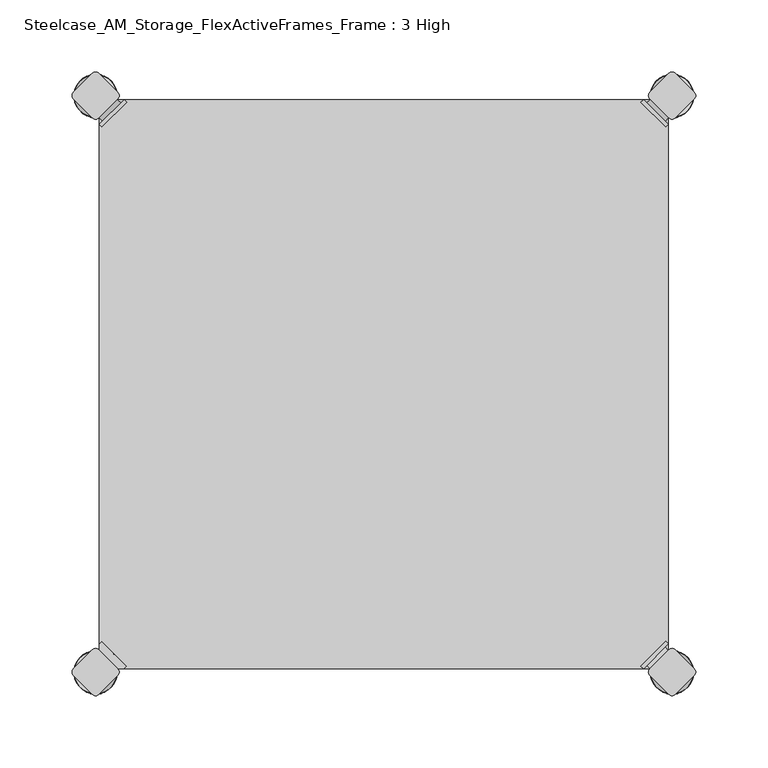
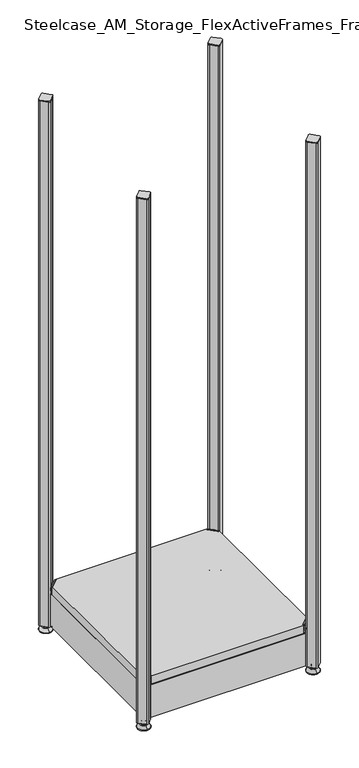
"""IFC4 building model written with IfcOpenShell, lengths in millimetres: furniture geometry, Steelcase_AM_Storage_FlexActiveFrames_Frame : 3 High."""

from ifc_helpers import new_model, si_unit, point, frame, frame_2d, origin, place, context, project, spatial, polyline, circle_curve, ellipse_curve, trimmed, segment, composite_curve, outline, extrude, source, transform, mapped, element, save
from ifc_brep_helpers import plane_surface, cylinder_surface, revolved_surface, advanced_brep


def steelcase_am_storage_flexactiveframes_frame_3_high_1ea21ac9(model_context):
    return source(origin(), model_context, "Body", "SolidModel", [
        advanced_brep(
        [(397.51, -380.2870969, 118.9736), (395.7139488, -378.4910456, 118.9736), (378.4910456, -395.7139488, 118.9736), (380.2870969, -397.51, 118.9736), (380.2870969, -397.51, 97.6376), (397.51, -380.2870969, 97.6376), (395.1847277, -382.6123691, 108.8136), (382.6123691, -395.1847277, 108.8136), (369.7579478, -352.5350447, 98.6536), (352.5350447, -369.7579478, 98.6536), (378.4910456, -395.7139488, 98.6536), (395.7139488, -378.4910456, 98.6536), (369.7579478, -352.5350447, 97.6376), (352.5350447, -369.7579478, 97.6376), (384.9272487, -397.4996073, 108.8136), (397.4996073, -384.9272487, 108.8136)],
        [
            (0, 1),
            (1, 2),
            (2, 3),
            (3, 0),
            (3, 4),
            (4, 5),
            (5, 0),
            (6, 7, circle_curve(frame((388.8985484, -388.8985484, 108.8136), z_axis=(-0.7071067811865446, 0.7071067811865505, 0.0), x_axis=(0.7071067811865505, 0.7071067811865446, 0.0)), 8.89)),
            (7, 6, circle_curve(frame((388.8985484, -388.8985484, 108.8136), z_axis=(-0.7071067811865446, 0.7071067811865505, 0.0), x_axis=(0.7071067811865505, 0.7071067811865446, 0.0)), 8.89)),
            (8, 9, circle_curve(frame((361.1464963, -361.1464963, 98.6536), z_axis=(0.0, 0.0, 1.0), x_axis=(-1.0, 0.0, 0.0)), 12.1784316)),
            (9, 10),
            (10, 11),
            (11, 8),
            (12, 5),
            (4, 13),
            (13, 12, circle_curve(frame((361.1464963, -361.1464963, 97.6376), z_axis=(0.0, 0.0, -1.0), x_axis=(-1.0, 0.0, 0.0)), 12.1784316)),
            (14, 15, circle_curve(frame((391.213428, -391.213428, 108.8136), z_axis=(0.7071067811865446, -0.7071067811865505, 0.0), x_axis=(0.7071067811865505, 0.7071067811865446, 0.0)), 8.89)),
            (15, 14, circle_curve(frame((391.213428, -391.213428, 108.8136), z_axis=(0.7071067811865446, -0.7071067811865505, 0.0), x_axis=(0.7071067811865505, 0.7071067811865446, 0.0)), 8.89)),
            (14, 7),
            (6, 15),
            (1, 11),
            (10, 2),
            (8, 12),
            (13, 9),
        ],
        [
            plane_surface(frame((419.7079872, -402.485084, 118.9736), z_axis=(0.0, 0.0, 1.0000000000000002), x_axis=(-0.7071067811865436, 0.7071067811865516, 0.0))),
            plane_surface(frame((380.2870969, -397.51, 118.9736), z_axis=(0.7071067811865447, -0.7071067811865503, 0.0), x_axis=(0.0, 0.0, -1.0))),
            plane_surface(frame((348.9680647, -361.1464963, 98.6536), z_axis=(0.0, 0.0, 1.0), x_axis=(0.0, -1.0, 0.0))),
            plane_surface(frame((348.9680647, -361.1464963, 97.6376), z_axis=(0.0, 0.0, -1.0), x_axis=(0.0, 1.0, 0.0))),
            plane_surface(frame((397.4996073, -384.9272487, 108.8136), z_axis=(0.7071067811865446, -0.7071067811865505, 0.0), x_axis=(0.0, 0.0, 1.0))),
            cylinder_surface(frame((388.8985484, -388.8985484, 108.8136), z_axis=(0.7071067811865446, -0.7071067811865505, 0.0), x_axis=(0.7071067811865505, 0.7071067811865446, 0.0)), 8.89),
            plane_surface(frame((395.7139488, -378.4910456, 118.9736), z_axis=(-0.7071067811865447, 0.7071067811865503, 0.0), x_axis=(0.0, 0.0, -1.0))),
            cylinder_surface(frame((361.1464963, -361.1464963, 97.6376), z_axis=(0.0, 0.0, 1.0), x_axis=(-1.0, 0.0, 0.0)), 12.1784316),
            plane_surface(frame((397.51, -380.2870969, 118.9736), z_axis=(0.7071067811865516, 0.7071067811865436, 0.0), x_axis=(0.0, 0.0, -1.0))),
            plane_surface(frame((378.4910456, -395.7139488, 118.9736), z_axis=(-0.7071067811865513, -0.7071067811865437, 0.0), x_axis=(0.0, 0.0, -1.0))),
        ],
        [
            (0, [[1, 2, 3, 4]]),
            (1, [[-4, 5, 6, 7], [8, 9]]),
            (2, [[10, 11, 12, 13]]),
            (3, [[14, -6, 15, 16]]),
            (4, [[17, 18]]),
            (5, [[-17, 19, -8, 20]]),
            (5, [[-18, -20, -9, -19]]),
            (6, [[-2, 21, -12, 22]]),
            (7, [[-10, 23, -16, 24]]),
            (8, [[-1, -7, -14, -23, -13, -21]]),
            (9, [[-3, -22, -11, -24, -15, -5]]),
        ],
    ),
        advanced_brep(
        [(397.51, -19.7629031, 118.9736), (380.2870969, -2.54, 118.9736), (378.4910456, -4.3360512, 118.9736), (395.7139488, -21.5589544, 118.9736), (397.51, -19.7629031, 97.6376), (380.2870969, -2.54, 97.6376), (395.1847277, -17.4376309, 108.8136), (382.6123691, -4.8652723, 108.8136), (369.7579478, -47.5149553, 98.6536), (395.7139488, -21.5589544, 98.6536), (378.4910456, -4.3360512, 98.6536), (352.5350447, -30.2920522, 98.6536), (369.7579478, -47.5149553, 97.6376), (352.5350447, -30.2920522, 97.6376), (384.9272487, -2.5503927, 108.8136), (397.4996073, -15.1227513, 108.8136)],
        [
            (0, 1),
            (1, 2),
            (2, 3),
            (3, 0),
            (0, 4),
            (4, 5),
            (5, 1),
            (6, 7, circle_curve(frame((388.8985484, -11.1514516, 108.8136), z_axis=(-0.7071067811865469, -0.7071067811865481, 0.0), x_axis=(0.7071067811865481, -0.7071067811865469, 0.0)), 8.89)),
            (7, 6, circle_curve(frame((388.8985484, -11.1514516, 108.8136), z_axis=(-0.7071067811865469, -0.7071067811865481, 0.0), x_axis=(0.7071067811865481, -0.7071067811865469, 0.0)), 8.89)),
            (8, 9),
            (9, 10),
            (10, 11),
            (11, 8, circle_curve(frame((361.1464963, -38.9035037, 98.6536), z_axis=(0.0, 0.0, 1.0), x_axis=(-1.0, 0.0, 0.0)), 12.1784316)),
            (12, 13, circle_curve(frame((361.1464963, -38.9035037, 97.6376), z_axis=(0.0, 0.0, -1.0), x_axis=(-1.0, 0.0, 0.0)), 12.1784316)),
            (13, 5),
            (4, 12),
            (14, 15, circle_curve(frame((391.213428, -8.836572, 108.8136), z_axis=(0.7071067811865469, 0.7071067811865481, 0.0), x_axis=(0.7071067811865481, -0.7071067811865469, 0.0)), 8.89)),
            (15, 14, circle_curve(frame((391.213428, -8.836572, 108.8136), z_axis=(0.7071067811865469, 0.7071067811865481, 0.0), x_axis=(0.7071067811865481, -0.7071067811865469, 0.0)), 8.89)),
            (15, 6),
            (7, 14),
            (2, 10),
            (9, 3),
            (11, 13),
            (12, 8),
        ],
        [
            plane_surface(frame((419.7079872, 2.435084, 118.9736), z_axis=(0.0, 0.0, 1.0000000000000002), x_axis=(-0.7071067811865459, -0.7071067811865492, 0.0))),
            plane_surface(frame((380.2870969, -2.54, 118.9736), z_axis=(0.707106781186547, 0.707106781186548, 0.0), x_axis=(0.0, 0.0, -1.0))),
            plane_surface(frame((348.9680647, -38.9035037, 98.6536), z_axis=(0.0, 0.0, 1.0), x_axis=(0.0, 1.0, 0.0))),
            plane_surface(frame((348.9680647, -38.9035037, 97.6376), z_axis=(0.0, 0.0, -1.0), x_axis=(0.0, -1.0, 0.0))),
            plane_surface(frame((397.4996073, -15.1227513, 108.8136), z_axis=(0.7071067811865469, 0.7071067811865481, 0.0), x_axis=(0.0, 0.0, 1.0))),
            cylinder_surface(frame((388.8985484, -11.1514516, 108.8136), z_axis=(0.7071067811865469, 0.7071067811865481, 0.0), x_axis=(0.7071067811865481, -0.7071067811865469, 0.0)), 8.89),
            plane_surface(frame((395.7139488, -21.5589544, 118.9736), z_axis=(-0.707106781186547, -0.707106781186548, 0.0), x_axis=(0.0, 0.0, -1.0))),
            cylinder_surface(frame((361.1464963, -38.9035037, 97.6376), z_axis=(0.0, 0.0, 1.0), x_axis=(-1.0, 0.0, 0.0)), 12.1784316),
            plane_surface(frame((397.51, -19.7629031, 118.9736), z_axis=(0.7071067811865492, -0.7071067811865459, 0.0), x_axis=(0.0, 0.0, -1.0))),
            plane_surface(frame((378.4910456, -4.3360512, 118.9736), z_axis=(-0.707106781186549, 0.707106781186546, 0.0), x_axis=(0.0, 0.0, -1.0))),
        ],
        [
            (0, [[1, 2, 3, 4]]),
            (1, [[5, 6, 7, -1], [8, 9]]),
            (2, [[10, 11, 12, 13]]),
            (3, [[14, 15, -6, 16]]),
            (4, [[17, 18]]),
            (5, [[19, -9, 20, -18]]),
            (5, [[-20, -8, -19, -17]]),
            (6, [[21, -11, 22, -3]]),
            (7, [[23, -14, 24, -13]]),
            (8, [[-22, -10, -24, -16, -5, -4]]),
            (9, [[-7, -15, -23, -12, -21, -2]]),
        ],
    ),
        advanced_brep(
        [(2.54, -19.7629031, 118.9736), (4.3360512, -21.5589544, 118.9736), (21.5589544, -4.3360512, 118.9736), (19.7629031, -2.54, 118.9736), (19.7629031, -2.54, 97.6376), (2.54, -19.7629031, 97.6376), (4.8652723, -17.4376309, 108.8136), (17.4376309, -4.8652723, 108.8136), (30.2920522, -47.5149553, 98.6536), (47.5149553, -30.2920522, 98.6536), (21.5589544, -4.3360512, 98.6536), (4.3360512, -21.5589544, 98.6536), (30.2920522, -47.5149553, 97.6376), (47.5149553, -30.2920522, 97.6376), (15.1227513, -2.5503927, 108.8136), (2.5503927, -15.1227513, 108.8136)],
        [
            (0, 1),
            (1, 2),
            (2, 3),
            (3, 0),
            (3, 4),
            (4, 5),
            (5, 0),
            (6, 7, circle_curve(frame((11.1514516, -11.1514516, 108.8136), z_axis=(0.7071067811865469, -0.7071067811865481, 0.0), x_axis=(-0.7071067811865481, -0.7071067811865469, 0.0)), 8.89)),
            (7, 6, circle_curve(frame((11.1514516, -11.1514516, 108.8136), z_axis=(0.7071067811865469, -0.7071067811865481, 0.0), x_axis=(-0.7071067811865481, -0.7071067811865469, 0.0)), 8.89)),
            (8, 9, circle_curve(frame((38.9035037, -38.9035037, 98.6536), z_axis=(0.0, 0.0, 1.0), x_axis=(1.0, 0.0, 0.0)), 12.1784316)),
            (9, 10),
            (10, 11),
            (11, 8),
            (12, 5),
            (4, 13),
            (13, 12, circle_curve(frame((38.9035037, -38.9035037, 97.6376), z_axis=(0.0, 0.0, -1.0), x_axis=(1.0, 0.0, 0.0)), 12.1784316)),
            (14, 15, circle_curve(frame((8.836572, -8.836572, 108.8136), z_axis=(-0.7071067811865469, 0.7071067811865481, 0.0), x_axis=(-0.7071067811865481, -0.7071067811865469, 0.0)), 8.89)),
            (15, 14, circle_curve(frame((8.836572, -8.836572, 108.8136), z_axis=(-0.7071067811865469, 0.7071067811865481, 0.0), x_axis=(-0.7071067811865481, -0.7071067811865469, 0.0)), 8.89)),
            (14, 7),
            (6, 15),
            (1, 11),
            (10, 2),
            (8, 12),
            (13, 9),
        ],
        [
            plane_surface(frame((-19.6579872, 2.435084, 118.9736), z_axis=(0.0, 0.0, 1.0000000000000002), x_axis=(0.7071067811865459, -0.7071067811865492, 0.0))),
            plane_surface(frame((19.7629031, -2.54, 118.9736), z_axis=(-0.707106781186547, 0.707106781186548, 0.0), x_axis=(0.0, 0.0, -1.0))),
            plane_surface(frame((51.0819353, -38.9035037, 98.6536), z_axis=(0.0, 0.0, 1.0), x_axis=(0.0, 1.0, 0.0))),
            plane_surface(frame((51.0819353, -38.9035037, 97.6376), z_axis=(0.0, 0.0, -1.0), x_axis=(0.0, -1.0, 0.0))),
            plane_surface(frame((2.5503927, -15.1227513, 108.8136), z_axis=(-0.7071067811865469, 0.7071067811865481, 0.0), x_axis=(0.0, 0.0, 1.0))),
            cylinder_surface(frame((11.1514516, -11.1514516, 108.8136), z_axis=(-0.7071067811865469, 0.7071067811865481, 0.0), x_axis=(-0.7071067811865481, -0.7071067811865469, 0.0)), 8.89),
            plane_surface(frame((4.3360512, -21.5589544, 118.9736), z_axis=(0.707106781186547, -0.707106781186548, 0.0), x_axis=(0.0, 0.0, -1.0))),
            cylinder_surface(frame((38.9035037, -38.9035037, 97.6376), z_axis=(0.0, 0.0, 1.0), x_axis=(1.0, 0.0, 0.0)), 12.1784316),
            plane_surface(frame((2.54, -19.7629031, 118.9736), z_axis=(-0.7071067811865492, -0.7071067811865459, 0.0), x_axis=(0.0, 0.0, -1.0))),
            plane_surface(frame((21.5589544, -4.3360512, 118.9736), z_axis=(0.707106781186549, 0.707106781186546, 0.0), x_axis=(0.0, 0.0, -1.0))),
        ],
        [
            (0, [[1, 2, 3, 4]]),
            (1, [[-4, 5, 6, 7], [8, 9]]),
            (2, [[10, 11, 12, 13]]),
            (3, [[14, -6, 15, 16]]),
            (4, [[17, 18]]),
            (5, [[-17, 19, -8, 20]]),
            (5, [[-18, -20, -9, -19]]),
            (6, [[-2, 21, -12, 22]]),
            (7, [[-10, 23, -16, 24]]),
            (8, [[-1, -7, -14, -23, -13, -21]]),
            (9, [[-3, -22, -11, -24, -15, -5]]),
        ],
    ),
        extrude(outline(polyline([(19.7629031, -2.54), (380.2870969, -2.54), (378.4910456, -4.3360512), (395.7139488, -21.5589544), (397.51, -19.7629031), (397.51, -380.2870969), (395.7139488, -378.4910456), (378.4910456, -395.7139488), (380.2870969, -397.51), (19.7629031, -397.51), (21.5589544, -395.7139488), (4.3360512, -378.4910456), (2.54, -380.2870969), (2.54, -19.7629031), (4.3360512, -21.5589544), (21.5589544, -4.3360512), (19.7629031, -2.54)])), frame((0.0, 0.0, 98.6536), z_axis=(0.0, 0.0, 1.0), x_axis=(1.0, 0.0, 0.0)), (0.0, 0.0, 1.0), 20.32),
        extrude(outline(composite_curve([segment(polyline([(-2.245064, -15.4326055), (-15.4326055, -2.245064)]), True, "CONTINUOUS"), segment(trimmed(circle_curve(frame_2d((-13.1875415, 0.0)), 3.175), [point((-15.4326055, -2.245064))], [point((-15.4326055, 2.245064))], False, "CARTESIAN"), True, "CONTINUOUS"), segment(polyline([(-15.4326055, 2.245064), (-2.245064, 15.4326055)]), True, "CONTINUOUS"), segment(trimmed(circle_curve(frame_2d((0.0, 13.1875415)), 3.175), [point((-2.245064, 15.4326055))], [point((2.245064, 15.4326055))], False, "CARTESIAN"), True, "CONTINUOUS"), segment(polyline([(2.245064, 15.4326055), (15.4326055, 2.245064)]), True, "CONTINUOUS"), segment(trimmed(circle_curve(frame_2d((13.1875415, 0.0)), 3.175), [point((15.4326055, 2.245064))], [point((15.4326055, -2.245064))], False, "CARTESIAN"), True, "CONTINUOUS"), segment(polyline([(15.4326055, -2.245064), (2.245064, -15.4326055)]), True, "CONTINUOUS"), segment(trimmed(circle_curve(frame_2d((0.0, -13.1875415)), 3.175), [point((2.245064, -15.4326055))], [point((-2.245064, -15.4326055))], False, "CARTESIAN"), True, "CONTINUOUS")], self_intersect=False)), frame((0.0, 0.0, 1324.61), z_axis=(0.0, 0.0, 1.0), x_axis=(1.0, 0.0, 0.0)), (0.0, 0.0, 1.0), 2.032),
        extrude(outline(composite_curve([segment(trimmed(circle_curve(frame_2d((400.05, -13.1875415)), 3.175), [point((402.295064, -15.4326055))], [point((397.804936, -15.4326055))], False, "CARTESIAN"), True, "CONTINUOUS"), segment(polyline([(397.804936, -15.4326055), (384.6173945, -2.245064)]), True, "CONTINUOUS"), segment(trimmed(circle_curve(frame_2d((386.8624585, 0.0)), 3.175), [point((384.6173945, -2.245064))], [point((384.6173945, 2.245064))], False, "CARTESIAN"), True, "CONTINUOUS"), segment(polyline([(384.6173945, 2.245064), (397.804936, 15.4326055)]), True, "CONTINUOUS"), segment(trimmed(circle_curve(frame_2d((400.05, 13.1875415)), 3.175), [point((397.804936, 15.4326055))], [point((402.295064, 15.4326055))], False, "CARTESIAN"), True, "CONTINUOUS"), segment(polyline([(402.295064, 15.4326055), (415.4826055, 2.245064)]), True, "CONTINUOUS"), segment(trimmed(circle_curve(frame_2d((413.2375415, 0.0)), 3.175), [point((415.4826055, 2.245064))], [point((415.4826055, -2.245064))], False, "CARTESIAN"), True, "CONTINUOUS"), segment(polyline([(415.4826055, -2.245064), (402.295064, -15.4326055)]), True, "CONTINUOUS")], self_intersect=False)), frame((0.0, 0.0, 1324.61), z_axis=(0.0, 0.0, 1.0), x_axis=(1.0, 0.0, 0.0)), (0.0, 0.0, 1.0), 2.032),
        extrude(outline(composite_curve([segment(polyline([(402.295064, -384.6173945), (415.4826055, -397.804936)]), True, "CONTINUOUS"), segment(trimmed(circle_curve(frame_2d((413.2375415, -400.05)), 3.175), [point((415.4826055, -397.804936))], [point((415.4826055, -402.295064))], False, "CARTESIAN"), True, "CONTINUOUS"), segment(polyline([(415.4826055, -402.295064), (402.295064, -415.4826055)]), True, "CONTINUOUS"), segment(trimmed(circle_curve(frame_2d((400.05, -413.2375415)), 3.175), [point((402.295064, -415.4826055))], [point((397.804936, -415.4826055))], False, "CARTESIAN"), True, "CONTINUOUS"), segment(polyline([(397.804936, -415.4826055), (384.6173945, -402.295064)]), True, "CONTINUOUS"), segment(trimmed(circle_curve(frame_2d((386.8624585, -400.05)), 3.175), [point((384.6173945, -402.295064))], [point((384.6173945, -397.804936))], False, "CARTESIAN"), True, "CONTINUOUS"), segment(polyline([(384.6173945, -397.804936), (397.804936, -384.6173945)]), True, "CONTINUOUS"), segment(trimmed(circle_curve(frame_2d((400.05, -386.8624585)), 3.175), [point((397.804936, -384.6173945))], [point((402.295064, -384.6173945))], False, "CARTESIAN"), True, "CONTINUOUS")], self_intersect=False)), frame((0.0, 0.0, 1324.61), z_axis=(0.0, 0.0, 1.0), x_axis=(1.0, 0.0, 0.0)), (0.0, 0.0, 1.0), 2.032),
        extrude(outline(composite_curve([segment(trimmed(circle_curve(frame_2d((0.0, -386.8624585)), 3.175), [point((-2.245064, -384.6173945))], [point((2.245064, -384.6173945))], False, "CARTESIAN"), True, "CONTINUOUS"), segment(polyline([(2.245064, -384.6173945), (15.4326055, -397.804936)]), True, "CONTINUOUS"), segment(trimmed(circle_curve(frame_2d((13.1875415, -400.05)), 3.175), [point((15.4326055, -397.804936))], [point((15.4326055, -402.295064))], False, "CARTESIAN"), True, "CONTINUOUS"), segment(polyline([(15.4326055, -402.295064), (2.245064, -415.4826055)]), True, "CONTINUOUS"), segment(trimmed(circle_curve(frame_2d((0.0, -413.2375415)), 3.175), [point((2.245064, -415.4826055))], [point((-2.245064, -415.4826055))], False, "CARTESIAN"), True, "CONTINUOUS"), segment(polyline([(-2.245064, -415.4826055), (-15.4326055, -402.295064)]), True, "CONTINUOUS"), segment(trimmed(circle_curve(frame_2d((-13.1875415, -400.05)), 3.175), [point((-15.4326055, -402.295064))], [point((-15.4326055, -397.804936))], False, "CARTESIAN"), True, "CONTINUOUS"), segment(polyline([(-15.4326055, -397.804936), (-2.245064, -384.6173945)]), True, "CONTINUOUS")], self_intersect=False)), frame((0.0, 0.0, 1324.61), z_axis=(0.0, 0.0, 1.0), x_axis=(1.0, 0.0, 0.0)), (0.0, 0.0, 1.0), 2.032),
        extrude(outline(polyline([(2.54, -384.9123305), (2.54, -15.1376695), (15.1376695, -2.54), (384.9123305, -2.54), (397.51, -15.1376695), (397.51, -384.9123305), (384.9123305, -397.51), (15.1376695, -397.51), (2.54, -384.9123305)]), holes=[polyline([(12.7, -15.748), (12.7, -387.35), (387.35, -387.35), (387.35, -15.748), (12.7, -15.748)])]), frame((0.0, 0.0, 15.9766), z_axis=(0.0, 0.0, 1.0), x_axis=(1.0, 0.0, 0.0)), (0.0, 0.0, 1.0), 81.28),
        advanced_brep(
        [(400.05, 3.999659, 15.9766), (400.05, -3.999659, 15.9766), (400.05, 0.0, 15.9766), (400.05, 3.999659, 12.6000054), (400.05, -3.999659, 12.6000054), (400.05, 5.8601455, 12.6000054), (400.05, -5.8601455, 12.6000054), (400.05, 6.4951462, 11.9650074), (400.05, -6.4951462, 11.9650074), (400.05, 6.4951462, 9.0000124), (400.05, -6.4951462, 9.0000124), (400.05, 8.7421976, 9.0000124), (400.05, -8.7421976, 9.0000124), (400.05, 14.7060077, 2.3275608), (400.05, -14.7060077, 2.3275608), (400.05, 13.664601, 0.0), (400.05, -13.664601, 0.0), (400.05, 0.0, 0.0)],
        [
            (0, 1, circle_curve(frame((400.05, 0.0, 15.9766), z_axis=(0.0, 0.0, 1.0), x_axis=(0.0, -1.0, 0.0)), 3.999659)),
            (1, 2),
            (2, 0),
            (1, 0, circle_curve(frame((400.05, 0.0, 15.9766), z_axis=(0.0, 0.0, 1.0), x_axis=(0.0, -1.0, 0.0)), 3.999659)),
            (3, 4, circle_curve(frame((400.05, 0.0, 12.6000054), z_axis=(0.0, 0.0, 1.0), x_axis=(0.0, -1.0, 0.0)), 3.999659)),
            (4, 1),
            (0, 3),
            (4, 3, circle_curve(frame((400.05, 0.0, 12.6000054), z_axis=(0.0, 0.0, 1.0), x_axis=(0.0, -1.0, 0.0)), 3.999659)),
            (5, 6, circle_curve(frame((400.05, 0.0, 12.6000054), z_axis=(0.0, 0.0, 1.0), x_axis=(0.0, -1.0, 0.0)), 5.8601455)),
            (6, 4),
            (3, 5),
            (6, 5, circle_curve(frame((400.05, 0.0, 12.6000054), z_axis=(0.0, 0.0, 1.0), x_axis=(0.0, -1.0, 0.0)), 5.8601455)),
            (7, 8, circle_curve(frame((400.05, 0.0, 11.9650074), z_axis=(0.0, 0.0, 1.0), x_axis=(0.0, -1.0, 0.0)), 6.4951462)),
            (8, 6, circle_curve(frame((400.05, -5.8601462, 11.9650074), z_axis=(-1.0, 0.0, 0.0), x_axis=(0.0, -1.0, 0.0)), 0.635)),
            (5, 7, circle_curve(frame((400.05, 5.8601462, 11.9650074), z_axis=(-1.0, 0.0, 0.0), x_axis=(0.0, 1.0, 0.0)), 0.635)),
            (8, 7, circle_curve(frame((400.05, 0.0, 11.9650074), z_axis=(0.0, 0.0, 1.0), x_axis=(0.0, -1.0, 0.0)), 6.4951462)),
            (9, 10, circle_curve(frame((400.05, 0.0, 9.0000124), z_axis=(0.0, 0.0, 1.0), x_axis=(0.0, -1.0, 0.0)), 6.4951462)),
            (10, 8),
            (7, 9),
            (10, 9, circle_curve(frame((400.05, 0.0, 9.0000124), z_axis=(0.0, 0.0, 1.0), x_axis=(0.0, -1.0, 0.0)), 6.4951462)),
            (11, 12, circle_curve(frame((400.05, 0.0, 9.0000124), z_axis=(0.0, 0.0, 1.0), x_axis=(0.0, -1.0, 0.0)), 8.7421976)),
            (12, 10),
            (9, 11),
            (12, 11, circle_curve(frame((400.05, 0.0, 9.0000124), z_axis=(0.0, 0.0, 1.0), x_axis=(0.0, -1.0, 0.0)), 8.7421976)),
            (13, 14, circle_curve(frame((400.05, 0.0, 2.3275608), z_axis=(0.0, 0.0, 1.0), x_axis=(0.0, -1.0, 0.0)), 14.7060077)),
            (14, 12),
            (11, 13),
            (14, 13, circle_curve(frame((400.05, 0.0, 2.3275608), z_axis=(0.0, 0.0, 1.0), x_axis=(0.0, -1.0, 0.0)), 14.7060077)),
            (15, 16, circle_curve(frame((400.05, 0.0, 0.0), z_axis=(0.0, 0.0, 1.0), x_axis=(0.0, -1.0, 0.0)), 13.664601)),
            (16, 14, circle_curve(frame((400.05, -13.664601, 1.3967556), z_axis=(-1.0, 0.0, 0.0), x_axis=(0.0, -1.0, 0.0)), 1.3967556)),
            (13, 15, circle_curve(frame((400.05, 13.664601, 1.3967556), z_axis=(-1.0, 0.0, 0.0), x_axis=(0.0, 1.0, 0.0)), 1.3967556)),
            (16, 15, circle_curve(frame((400.05, 0.0, 0.0), z_axis=(0.0, 0.0, 1.0), x_axis=(0.0, -1.0, 0.0)), 13.664601)),
            (17, 16),
            (15, 17),
        ],
        [
            plane_surface(frame((400.05, 0.0, 15.9766), z_axis=(0.0, 0.0, 1.0), x_axis=(0.0, -1.0, 0.0))),
            cylinder_surface(frame((400.05, 0.0, -4.132372), z_axis=(0.0, 0.0, -1.0), x_axis=(0.0, -1.0, 0.0)), 3.999659),
            plane_surface(frame((400.05, 0.0, 12.6000054), z_axis=(0.0, 0.0, 1.0), x_axis=(0.0, -1.0, 0.0))),
            revolved_surface(trimmed(ellipse_curve(frame((400.05, -5.8601462, 11.9650074), z_axis=(1.0, 0.0, 0.0), x_axis=(0.0, -1.0, 0.0)), 0.635, 0.635), [point((400.05, -5.8601455, 12.6000074))], [point((400.05, -6.4951462, 11.9650074))], True, "CARTESIAN"), (400.05, 0.0, -4.132372), (0.0, 0.0, -1.0)),
            cylinder_surface(frame((400.05, 0.0, -4.132372), z_axis=(0.0, 0.0, -1.0), x_axis=(0.0, -1.0, 0.0)), 6.4951462),
            plane_surface(frame((400.05, 0.0, 9.0000124), z_axis=(0.0, 0.0, 1.0), x_axis=(0.0, -1.0, 0.0))),
            revolved_surface(polyline([(400.05, -8.7421976, 9.0000124), (400.05, -14.7060077, 2.3275608)]), (400.05, 0.0, -4.132372), (0.0, 0.0, -1.0)),
            revolved_surface(trimmed(ellipse_curve(frame((400.05, -13.664601, 1.3967556), z_axis=(1.0, 0.0, 0.0), x_axis=(0.0, -1.0, 0.0)), 1.3967556, 1.3967556), [point((400.05, -14.7060077, 2.3275608))], [point((400.05, -13.664601, 0.0))], True, "CARTESIAN"), (400.05, 0.0, -4.132372), (0.0, 0.0, -1.0)),
            plane_surface(frame((400.05, 0.0, 0.0), z_axis=(0.0, 0.0, -1.0), x_axis=(0.0, -1.0, 0.0))),
        ],
        [
            (0, [[1, 2, 3]]),
            (0, [[4, -3, -2]]),
            (1, [[5, 6, -1, 7]]),
            (1, [[8, -7, -4, -6]]),
            (2, [[9, 10, -5, 11]]),
            (2, [[12, -11, -8, -10]]),
            (3, [[13, 14, -9, 15]]),
            (3, [[16, -15, -12, -14]]),
            (4, [[17, 18, -13, 19]]),
            (4, [[20, -19, -16, -18]]),
            (5, [[21, 22, -17, 23]]),
            (5, [[24, -23, -20, -22]]),
            (6, [[25, 26, -21, 27]]),
            (6, [[28, -27, -24, -26]]),
            (7, [[29, 30, -25, 31]]),
            (7, [[32, -31, -28, -30]]),
            (8, [[33, -29, 34]]),
            (8, [[-34, -32, -33]]),
        ],
    ),
        advanced_brep(
        [(400.05, -400.05, 15.9766), (400.05, -396.050341, 15.9766), (400.05, -404.049659, 15.9766), (400.05, -396.050341, 12.6000054), (400.05, -404.049659, 12.6000054), (400.05, -394.1898545, 12.6000074), (400.05, -405.9101455, 12.6000074), (400.05, -393.5548538, 11.9650074), (400.05, -406.5451462, 11.9650074), (400.05, -393.5548538, 9.0000124), (400.05, -406.5451462, 9.0000124), (400.05, -391.3078024, 9.0000124), (400.05, -408.7921976, 9.0000124), (400.05, -385.3439923, 2.3275608), (400.05, -414.7560077, 2.3275608), (400.05, -386.385399, 0.0), (400.05, -413.714601, 0.0), (400.05, -400.05, 0.0)],
        [
            (0, 1),
            (1, 2, circle_curve(frame((400.05, -400.05, 15.9766), z_axis=(0.0, 0.0, 1.0), x_axis=(0.0, 1.0, 0.0)), 3.999659)),
            (2, 0),
            (2, 1, circle_curve(frame((400.05, -400.05, 15.9766), z_axis=(0.0, 0.0, 1.0), x_axis=(0.0, 1.0, 0.0)), 3.999659)),
            (1, 3),
            (3, 4, circle_curve(frame((400.05, -400.05, 12.6000054), z_axis=(0.0, 0.0, 1.0), x_axis=(0.0, 1.0, 0.0)), 3.999659)),
            (4, 2),
            (4, 3, circle_curve(frame((400.05, -400.05, 12.6000054), z_axis=(0.0, 0.0, 1.0), x_axis=(0.0, 1.0, 0.0)), 3.999659)),
            (3, 5),
            (5, 6, circle_curve(frame((400.05, -400.05, 12.6000074), z_axis=(0.0, 0.0, 1.0), x_axis=(0.0, 1.0, 0.0)), 5.8601455)),
            (6, 4),
            (6, 5, circle_curve(frame((400.05, -400.05, 12.6000074), z_axis=(0.0, 0.0, 1.0), x_axis=(0.0, 1.0, 0.0)), 5.8601455)),
            (5, 7, circle_curve(frame((400.05, -394.1898538, 11.9650074), z_axis=(-1.0, 0.0, 0.0), x_axis=(0.0, 1.0, 0.0)), 0.635)),
            (7, 8, circle_curve(frame((400.05, -400.05, 11.9650074), z_axis=(0.0, 0.0, 1.0), x_axis=(0.0, 1.0, 0.0)), 6.4951462)),
            (8, 6, circle_curve(frame((400.05, -405.9101462, 11.9650074), z_axis=(-1.0, 0.0, 0.0), x_axis=(0.0, -1.0, 0.0)), 0.635)),
            (8, 7, circle_curve(frame((400.05, -400.05, 11.9650074), z_axis=(0.0, 0.0, 1.0), x_axis=(0.0, 1.0, 0.0)), 6.4951462)),
            (7, 9),
            (9, 10, circle_curve(frame((400.05, -400.05, 9.0000124), z_axis=(0.0, 0.0, 1.0), x_axis=(0.0, 1.0, 0.0)), 6.4951462)),
            (10, 8),
            (10, 9, circle_curve(frame((400.05, -400.05, 9.0000124), z_axis=(0.0, 0.0, 1.0), x_axis=(0.0, 1.0, 0.0)), 6.4951462)),
            (9, 11),
            (11, 12, circle_curve(frame((400.05, -400.05, 9.0000124), z_axis=(0.0, 0.0, 1.0), x_axis=(0.0, 1.0, 0.0)), 8.7421976)),
            (12, 10),
            (12, 11, circle_curve(frame((400.05, -400.05, 9.0000124), z_axis=(0.0, 0.0, 1.0), x_axis=(0.0, 1.0, 0.0)), 8.7421976)),
            (11, 13),
            (13, 14, circle_curve(frame((400.05, -400.05, 2.3275608), z_axis=(0.0, 0.0, 1.0), x_axis=(0.0, 1.0, 0.0)), 14.7060077)),
            (14, 12),
            (14, 13, circle_curve(frame((400.05, -400.05, 2.3275608), z_axis=(0.0, 0.0, 1.0), x_axis=(0.0, 1.0, 0.0)), 14.7060077)),
            (13, 15, circle_curve(frame((400.05, -386.385399, 1.3967556), z_axis=(-1.0, 0.0, 0.0), x_axis=(0.0, 1.0, 0.0)), 1.3967556)),
            (15, 16, circle_curve(frame((400.05, -400.05, 0.0), z_axis=(0.0, 0.0, 1.0), x_axis=(0.0, 1.0, 0.0)), 13.664601)),
            (16, 14, circle_curve(frame((400.05, -413.714601, 1.3967556), z_axis=(-1.0, 0.0, 0.0), x_axis=(0.0, -1.0, 0.0)), 1.3967556)),
            (16, 15, circle_curve(frame((400.05, -400.05, 0.0), z_axis=(0.0, 0.0, 1.0), x_axis=(0.0, 1.0, 0.0)), 13.664601)),
            (15, 17),
            (17, 16),
        ],
        [
            plane_surface(frame((400.05, -400.05, 15.9766), z_axis=(0.0, 0.0, 1.0), x_axis=(0.0, 1.0, 0.0))),
            cylinder_surface(frame((400.05, -400.05, -4.132372), z_axis=(0.0, 0.0, 1.0), x_axis=(0.0, 1.0, 0.0)), 3.999659),
            plane_surface(frame((400.05, -400.05, 12.6000074), z_axis=(0.0, 0.0, 1.0), x_axis=(0.0, 1.0, 0.0))),
            revolved_surface(trimmed(ellipse_curve(frame((400.05, -394.1898538, 11.9650074), z_axis=(1.0, 0.0, 0.0), x_axis=(0.0, 1.0, 0.0)), 0.635, 0.635), [point((400.05, -393.5548538, 11.9650074))], [point((400.05, -394.1898545, 12.6000074))], True, "CARTESIAN"), (400.05, -400.05, -4.132372), (0.0, 0.0, 1.0)),
            cylinder_surface(frame((400.05, -400.05, -4.132372), z_axis=(0.0, 0.0, 1.0), x_axis=(0.0, 1.0, 0.0)), 6.4951462),
            plane_surface(frame((400.05, -400.05, 9.0000124), z_axis=(0.0, 0.0, 1.0), x_axis=(0.0, 1.0, 0.0))),
            revolved_surface(polyline([(400.05, -385.3439923, 2.3275608), (400.05, -391.3078024, 9.0000124)]), (400.05, -400.05, -4.132372), (0.0, 0.0, 1.0)),
            revolved_surface(trimmed(ellipse_curve(frame((400.05, -386.385399, 1.3967556), z_axis=(1.0, 0.0, 0.0), x_axis=(0.0, 1.0, 0.0)), 1.3967556, 1.3967556), [point((400.05, -386.385399, 0.0))], [point((400.05, -385.3439923, 2.3275608))], True, "CARTESIAN"), (400.05, -400.05, -4.132372), (0.0, 0.0, 1.0)),
            plane_surface(frame((400.05, -400.05, 0.0), z_axis=(0.0, 0.0, -1.0), x_axis=(0.0, 1.0, 0.0))),
        ],
        [
            (0, [[1, 2, 3]]),
            (0, [[-3, 4, -1]]),
            (1, [[-2, 5, 6, 7]]),
            (1, [[-4, -7, 8, -5]]),
            (2, [[-6, 9, 10, 11]]),
            (2, [[-8, -11, 12, -9]]),
            (3, [[-10, 13, 14, 15]]),
            (3, [[-12, -15, 16, -13]]),
            (4, [[-14, 17, 18, 19]]),
            (4, [[-16, -19, 20, -17]]),
            (5, [[-18, 21, 22, 23]]),
            (5, [[-20, -23, 24, -21]]),
            (6, [[-22, 25, 26, 27]]),
            (6, [[-24, -27, 28, -25]]),
            (7, [[-26, 29, 30, 31]]),
            (7, [[-28, -31, 32, -29]]),
            (8, [[-30, 33, 34]]),
            (8, [[-32, -34, -33]]),
        ],
    ),
        advanced_brep(
        [(0.0, -400.05, 15.9766), (0.0, -396.050341, 15.9766), (0.0, -404.049659, 15.9766), (0.0, -396.050341, 12.6000054), (0.0, -404.049659, 12.6000054), (0.0, -394.1898545, 12.6000074), (0.0, -405.9101455, 12.6000074), (0.0, -393.5548538, 11.9650074), (0.0, -406.5451462, 11.9650074), (0.0, -393.5548538, 9.0000124), (0.0, -406.5451462, 9.0000124), (0.0, -391.3078024, 9.0000124), (0.0, -408.7921976, 9.0000124), (0.0, -385.3439923, 2.3275608), (0.0, -414.7560077, 2.3275608), (0.0, -386.385399, 0.0), (0.0, -413.714601, 0.0), (0.0, -400.05, 0.0)],
        [
            (0, 1),
            (1, 2, circle_curve(frame((0.0, -400.05, 15.9766), z_axis=(0.0, 0.0, 1.0), x_axis=(0.0, 1.0, 0.0)), 3.999659)),
            (2, 0),
            (2, 1, circle_curve(frame((0.0, -400.05, 15.9766), z_axis=(0.0, 0.0, 1.0), x_axis=(0.0, 1.0, 0.0)), 3.999659)),
            (1, 3),
            (3, 4, circle_curve(frame((0.0, -400.05, 12.6000054), z_axis=(0.0, 0.0, 1.0), x_axis=(0.0, 1.0, 0.0)), 3.999659)),
            (4, 2),
            (4, 3, circle_curve(frame((0.0, -400.05, 12.6000054), z_axis=(0.0, 0.0, 1.0), x_axis=(0.0, 1.0, 0.0)), 3.999659)),
            (3, 5),
            (5, 6, circle_curve(frame((0.0, -400.05, 12.6000074), z_axis=(0.0, 0.0, 1.0), x_axis=(0.0, 1.0, 0.0)), 5.8601455)),
            (6, 4),
            (6, 5, circle_curve(frame((0.0, -400.05, 12.6000074), z_axis=(0.0, 0.0, 1.0), x_axis=(0.0, 1.0, 0.0)), 5.8601455)),
            (5, 7, circle_curve(frame((0.0, -394.1898538, 11.9650074), z_axis=(-1.0, 0.0, 0.0), x_axis=(0.0, -1.0, 0.0)), 0.635)),
            (7, 8, circle_curve(frame((0.0, -400.05, 11.9650074), z_axis=(0.0, 0.0, 1.0), x_axis=(0.0, 1.0, 0.0)), 6.4951462)),
            (8, 6, circle_curve(frame((0.0, -405.9101462, 11.9650074), z_axis=(-1.0, 0.0, 0.0), x_axis=(0.0, 1.0, 0.0)), 0.635)),
            (8, 7, circle_curve(frame((0.0, -400.05, 11.9650074), z_axis=(0.0, 0.0, 1.0), x_axis=(0.0, 1.0, 0.0)), 6.4951462)),
            (7, 9),
            (9, 10, circle_curve(frame((0.0, -400.05, 9.0000124), z_axis=(0.0, 0.0, 1.0), x_axis=(0.0, 1.0, 0.0)), 6.4951462)),
            (10, 8),
            (10, 9, circle_curve(frame((0.0, -400.05, 9.0000124), z_axis=(0.0, 0.0, 1.0), x_axis=(0.0, 1.0, 0.0)), 6.4951462)),
            (9, 11),
            (11, 12, circle_curve(frame((0.0, -400.05, 9.0000124), z_axis=(0.0, 0.0, 1.0), x_axis=(0.0, 1.0, 0.0)), 8.7421976)),
            (12, 10),
            (12, 11, circle_curve(frame((0.0, -400.05, 9.0000124), z_axis=(0.0, 0.0, 1.0), x_axis=(0.0, 1.0, 0.0)), 8.7421976)),
            (11, 13),
            (13, 14, circle_curve(frame((0.0, -400.05, 2.3275608), z_axis=(0.0, 0.0, 1.0), x_axis=(0.0, 1.0, 0.0)), 14.7060077)),
            (14, 12),
            (14, 13, circle_curve(frame((0.0, -400.05, 2.3275608), z_axis=(0.0, 0.0, 1.0), x_axis=(0.0, 1.0, 0.0)), 14.7060077)),
            (13, 15, circle_curve(frame((0.0, -386.385399, 1.3967556), z_axis=(-1.0, 0.0, 0.0), x_axis=(0.0, -1.0, 0.0)), 1.3967556)),
            (15, 16, circle_curve(frame((0.0, -400.05, 0.0), z_axis=(0.0, 0.0, 1.0), x_axis=(0.0, 1.0, 0.0)), 13.664601)),
            (16, 14, circle_curve(frame((0.0, -413.714601, 1.3967556), z_axis=(-1.0, 0.0, 0.0), x_axis=(0.0, 1.0, 0.0)), 1.3967556)),
            (16, 15, circle_curve(frame((0.0, -400.05, 0.0), z_axis=(0.0, 0.0, 1.0), x_axis=(0.0, 1.0, 0.0)), 13.664601)),
            (15, 17),
            (17, 16),
        ],
        [
            plane_surface(frame((0.0, -400.05, 15.9766), z_axis=(0.0, 0.0, 1.0), x_axis=(0.0, 1.0, 0.0))),
            cylinder_surface(frame((0.0, -400.05, -4.132372), z_axis=(0.0, 0.0, 1.0), x_axis=(0.0, 1.0, 0.0)), 3.999659),
            plane_surface(frame((0.0, -400.05, 12.6000074), z_axis=(0.0, 0.0, 1.0), x_axis=(0.0, 1.0, 0.0))),
            revolved_surface(trimmed(ellipse_curve(frame((0.0, -394.1898538, 11.9650074), z_axis=(1.0, 0.0, 0.0), x_axis=(0.0, -1.0, 0.0)), 0.635, 0.635), [point((0.0, -393.5548538, 11.9650074))], [point((0.0, -394.1898545, 12.6000074))], True, "CARTESIAN"), (0.0, -400.05, -4.132372), (0.0, 0.0, 1.0)),
            cylinder_surface(frame((0.0, -400.05, -4.132372), z_axis=(0.0, 0.0, 1.0), x_axis=(0.0, 1.0, 0.0)), 6.4951462),
            plane_surface(frame((0.0, -400.05, 9.0000124), z_axis=(0.0, 0.0, 1.0), x_axis=(0.0, 1.0, 0.0))),
            revolved_surface(polyline([(0.0, -385.3439923, 2.3275608), (0.0, -391.3078024, 9.0000124)]), (0.0, -400.05, -4.132372), (0.0, 0.0, 1.0)),
            revolved_surface(trimmed(ellipse_curve(frame((0.0, -386.385399, 1.3967556), z_axis=(1.0, 0.0, 0.0), x_axis=(0.0, -1.0, 0.0)), 1.3967556, 1.3967556), [point((0.0, -386.385399, 0.0))], [point((0.0, -385.3439923, 2.3275608))], True, "CARTESIAN"), (0.0, -400.05, -4.132372), (0.0, 0.0, 1.0)),
            plane_surface(frame((0.0, -400.05, 0.0), z_axis=(0.0, 0.0, -1.0), x_axis=(0.0, 1.0, 0.0))),
        ],
        [
            (0, [[1, 2, 3]]),
            (0, [[-3, 4, -1]]),
            (1, [[-2, 5, 6, 7]]),
            (1, [[-4, -7, 8, -5]]),
            (2, [[-6, 9, 10, 11]]),
            (2, [[-8, -11, 12, -9]]),
            (3, [[-10, 13, 14, 15]]),
            (3, [[-12, -15, 16, -13]]),
            (4, [[-14, 17, 18, 19]]),
            (4, [[-16, -19, 20, -17]]),
            (5, [[-18, 21, 22, 23]]),
            (5, [[-20, -23, 24, -21]]),
            (6, [[-22, 25, 26, 27]]),
            (6, [[-24, -27, 28, -25]]),
            (7, [[-26, 29, 30, 31]]),
            (7, [[-28, -31, 32, -29]]),
            (8, [[-30, 33, 34]]),
            (8, [[-32, -34, -33]]),
        ],
    ),
        advanced_brep(
        [(0.0, 3.999659, 15.9766), (0.0, -3.999659, 15.9766), (0.0, 0.0, 15.9766), (0.0, 3.999659, 12.6000054), (0.0, -3.999659, 12.6000054), (0.0, 5.8601455, 12.6000054), (0.0, -5.8601455, 12.6000054), (0.0, 6.4951462, 11.9650074), (0.0, -6.4951462, 11.9650074), (0.0, 6.4951462, 9.0000124), (0.0, -6.4951462, 9.0000124), (0.0, 8.7421976, 9.0000124), (0.0, -8.7421976, 9.0000124), (0.0, 14.7060077, 2.3275608), (0.0, -14.7060077, 2.3275608), (0.0, 13.664601, 0.0), (0.0, -13.664601, 0.0), (0.0, 0.0, 0.0)],
        [
            (0, 1, circle_curve(frame((0.0, 0.0, 15.9766), z_axis=(0.0, 0.0, 1.0), x_axis=(0.0, -1.0, 0.0)), 3.999659)),
            (1, 2),
            (2, 0),
            (1, 0, circle_curve(frame((0.0, 0.0, 15.9766), z_axis=(0.0, 0.0, 1.0), x_axis=(0.0, -1.0, 0.0)), 3.999659)),
            (3, 4, circle_curve(frame((0.0, 0.0, 12.6000054), z_axis=(0.0, 0.0, 1.0), x_axis=(0.0, -1.0, 0.0)), 3.999659)),
            (4, 1),
            (0, 3),
            (4, 3, circle_curve(frame((0.0, 0.0, 12.6000054), z_axis=(0.0, 0.0, 1.0), x_axis=(0.0, -1.0, 0.0)), 3.999659)),
            (5, 6, circle_curve(frame((0.0, 0.0, 12.6000054), z_axis=(0.0, 0.0, 1.0), x_axis=(0.0, -1.0, 0.0)), 5.8601455)),
            (6, 4),
            (3, 5),
            (6, 5, circle_curve(frame((0.0, 0.0, 12.6000054), z_axis=(0.0, 0.0, 1.0), x_axis=(0.0, -1.0, 0.0)), 5.8601455)),
            (7, 8, circle_curve(frame((0.0, 0.0, 11.9650074), z_axis=(0.0, 0.0, 1.0), x_axis=(0.0, -1.0, 0.0)), 6.4951462)),
            (8, 6, circle_curve(frame((0.0, -5.8601462, 11.9650074), z_axis=(-1.0, 0.0, 0.0), x_axis=(0.0, 1.0, 0.0)), 0.635)),
            (5, 7, circle_curve(frame((0.0, 5.8601462, 11.9650074), z_axis=(-1.0, 0.0, 0.0), x_axis=(0.0, -1.0, 0.0)), 0.635)),
            (8, 7, circle_curve(frame((0.0, 0.0, 11.9650074), z_axis=(0.0, 0.0, 1.0), x_axis=(0.0, -1.0, 0.0)), 6.4951462)),
            (9, 10, circle_curve(frame((0.0, 0.0, 9.0000124), z_axis=(0.0, 0.0, 1.0), x_axis=(0.0, -1.0, 0.0)), 6.4951462)),
            (10, 8),
            (7, 9),
            (10, 9, circle_curve(frame((0.0, 0.0, 9.0000124), z_axis=(0.0, 0.0, 1.0), x_axis=(0.0, -1.0, 0.0)), 6.4951462)),
            (11, 12, circle_curve(frame((0.0, 0.0, 9.0000124), z_axis=(0.0, 0.0, 1.0), x_axis=(0.0, -1.0, 0.0)), 8.7421976)),
            (12, 10),
            (9, 11),
            (12, 11, circle_curve(frame((0.0, 0.0, 9.0000124), z_axis=(0.0, 0.0, 1.0), x_axis=(0.0, -1.0, 0.0)), 8.7421976)),
            (13, 14, circle_curve(frame((0.0, 0.0, 2.3275608), z_axis=(0.0, 0.0, 1.0), x_axis=(0.0, -1.0, 0.0)), 14.7060077)),
            (14, 12),
            (11, 13),
            (14, 13, circle_curve(frame((0.0, 0.0, 2.3275608), z_axis=(0.0, 0.0, 1.0), x_axis=(0.0, -1.0, 0.0)), 14.7060077)),
            (15, 16, circle_curve(frame((0.0, 0.0, 0.0), z_axis=(0.0, 0.0, 1.0), x_axis=(0.0, -1.0, 0.0)), 13.664601)),
            (16, 14, circle_curve(frame((0.0, -13.664601, 1.3967556), z_axis=(-1.0, 0.0, 0.0), x_axis=(0.0, 1.0, 0.0)), 1.3967556)),
            (13, 15, circle_curve(frame((0.0, 13.664601, 1.3967556), z_axis=(-1.0, 0.0, 0.0), x_axis=(0.0, -1.0, 0.0)), 1.3967556)),
            (16, 15, circle_curve(frame((0.0, 0.0, 0.0), z_axis=(0.0, 0.0, 1.0), x_axis=(0.0, -1.0, 0.0)), 13.664601)),
            (17, 16),
            (15, 17),
        ],
        [
            plane_surface(frame((0.0, 0.0, 15.9766), z_axis=(0.0, 0.0, 1.0), x_axis=(0.0, -1.0, 0.0))),
            cylinder_surface(frame((0.0, 0.0, -4.132372), z_axis=(0.0, 0.0, -1.0), x_axis=(0.0, -1.0, 0.0)), 3.999659),
            plane_surface(frame((0.0, 0.0, 12.6000054), z_axis=(0.0, 0.0, 1.0), x_axis=(0.0, -1.0, 0.0))),
            revolved_surface(trimmed(ellipse_curve(frame((0.0, -5.8601462, 11.9650074), z_axis=(1.0, 0.0, 0.0), x_axis=(0.0, 1.0, 0.0)), 0.635, 0.635), [point((0.0, -5.8601455, 12.6000074))], [point((0.0, -6.4951462, 11.9650074))], True, "CARTESIAN"), (0.0, 0.0, -4.132372), (0.0, 0.0, -1.0)),
            cylinder_surface(frame((0.0, 0.0, -4.132372), z_axis=(0.0, 0.0, -1.0), x_axis=(0.0, -1.0, 0.0)), 6.4951462),
            plane_surface(frame((0.0, 0.0, 9.0000124), z_axis=(0.0, 0.0, 1.0), x_axis=(0.0, -1.0, 0.0))),
            revolved_surface(polyline([(0.0, -8.7421976, 9.0000124), (0.0, -14.7060077, 2.3275608)]), (0.0, 0.0, -4.132372), (0.0, 0.0, -1.0)),
            revolved_surface(trimmed(ellipse_curve(frame((0.0, -13.664601, 1.3967556), z_axis=(1.0, 0.0, 0.0), x_axis=(0.0, 1.0, 0.0)), 1.3967556, 1.3967556), [point((0.0, -14.7060077, 2.3275608))], [point((0.0, -13.664601, 0.0))], True, "CARTESIAN"), (0.0, 0.0, -4.132372), (0.0, 0.0, -1.0)),
            plane_surface(frame((0.0, 0.0, 0.0), z_axis=(0.0, 0.0, -1.0), x_axis=(0.0, -1.0, 0.0))),
        ],
        [
            (0, [[1, 2, 3]]),
            (0, [[4, -3, -2]]),
            (1, [[5, 6, -1, 7]]),
            (1, [[8, -7, -4, -6]]),
            (2, [[9, 10, -5, 11]]),
            (2, [[12, -11, -8, -10]]),
            (3, [[13, 14, -9, 15]]),
            (3, [[16, -15, -12, -14]]),
            (4, [[17, 18, -13, 19]]),
            (4, [[20, -19, -16, -18]]),
            (5, [[21, 22, -17, 23]]),
            (5, [[24, -23, -20, -22]]),
            (6, [[25, 26, -21, 27]]),
            (6, [[28, -27, -24, -26]]),
            (7, [[29, 30, -25, 31]]),
            (7, [[32, -31, -28, -30]]),
            (8, [[33, -29, 34]]),
            (8, [[-34, -32, -33]]),
        ],
    ),
        extrude(outline(composite_curve([segment(polyline([(-2.245064, -15.4326055), (-15.4326055, -2.245064)]), True, "CONTINUOUS"), segment(trimmed(circle_curve(frame_2d((-13.1875415, 0.0)), 3.175), [point((-15.4326055, -2.245064))], [point((-15.4326055, 2.245064))], False, "CARTESIAN"), True, "CONTINUOUS"), segment(polyline([(-15.4326055, 2.245064), (-2.245064, 15.4326055)]), True, "CONTINUOUS"), segment(trimmed(circle_curve(frame_2d((0.0, 13.1875415)), 3.175), [point((-2.245064, 15.4326055))], [point((2.245064, 15.4326055))], False, "CARTESIAN"), True, "CONTINUOUS"), segment(polyline([(2.245064, 15.4326055), (15.4326055, 2.245064)]), True, "CONTINUOUS"), segment(trimmed(circle_curve(frame_2d((13.1875415, 0.0)), 3.175), [point((15.4326055, 2.245064))], [point((15.4326055, -2.245064))], False, "CARTESIAN"), True, "CONTINUOUS"), segment(polyline([(15.4326055, -2.245064), (2.245064, -15.4326055)]), True, "CONTINUOUS"), segment(trimmed(circle_curve(frame_2d((0.0, -13.1875415)), 3.175), [point((2.245064, -15.4326055))], [point((-2.245064, -15.4326055))], False, "CARTESIAN"), True, "CONTINUOUS")], self_intersect=False)), frame((0.0, 0.0, 15.9766), z_axis=(0.0, 0.0, 1.0), x_axis=(1.0, 0.0, 0.0)), (0.0, 0.0, 1.0), 1308.6334),
        extrude(outline(composite_curve([segment(trimmed(circle_curve(frame_2d((400.05, -13.1875415)), 3.175), [point((402.295064, -15.4326055))], [point((397.804936, -15.4326055))], False, "CARTESIAN"), True, "CONTINUOUS"), segment(polyline([(397.804936, -15.4326055), (384.6173945, -2.245064)]), True, "CONTINUOUS"), segment(trimmed(circle_curve(frame_2d((386.8624585, 0.0)), 3.175), [point((384.6173945, -2.245064))], [point((384.6173945, 2.245064))], False, "CARTESIAN"), True, "CONTINUOUS"), segment(polyline([(384.6173945, 2.245064), (397.804936, 15.4326055)]), True, "CONTINUOUS"), segment(trimmed(circle_curve(frame_2d((400.05, 13.1875415)), 3.175), [point((397.804936, 15.4326055))], [point((402.295064, 15.4326055))], False, "CARTESIAN"), True, "CONTINUOUS"), segment(polyline([(402.295064, 15.4326055), (415.4826055, 2.245064)]), True, "CONTINUOUS"), segment(trimmed(circle_curve(frame_2d((413.2375415, 0.0)), 3.175), [point((415.4826055, 2.245064))], [point((415.4826055, -2.245064))], False, "CARTESIAN"), True, "CONTINUOUS"), segment(polyline([(415.4826055, -2.245064), (402.295064, -15.4326055)]), True, "CONTINUOUS")], self_intersect=False)), frame((0.0, 0.0, 15.9766), z_axis=(0.0, 0.0, 1.0), x_axis=(1.0, 0.0, 0.0)), (0.0, 0.0, 1.0), 1308.6334),
        extrude(outline(composite_curve([segment(polyline([(402.295064, -384.6173945), (415.4826055, -397.804936)]), True, "CONTINUOUS"), segment(trimmed(circle_curve(frame_2d((413.2375415, -400.05)), 3.175), [point((415.4826055, -397.804936))], [point((415.4826055, -402.295064))], False, "CARTESIAN"), True, "CONTINUOUS"), segment(polyline([(415.4826055, -402.295064), (402.295064, -415.4826055)]), True, "CONTINUOUS"), segment(trimmed(circle_curve(frame_2d((400.05, -413.2375415)), 3.175), [point((402.295064, -415.4826055))], [point((397.804936, -415.4826055))], False, "CARTESIAN"), True, "CONTINUOUS"), segment(polyline([(397.804936, -415.4826055), (384.6173945, -402.295064)]), True, "CONTINUOUS"), segment(trimmed(circle_curve(frame_2d((386.8624585, -400.05)), 3.175), [point((384.6173945, -402.295064))], [point((384.6173945, -397.804936))], False, "CARTESIAN"), True, "CONTINUOUS"), segment(polyline([(384.6173945, -397.804936), (397.804936, -384.6173945)]), True, "CONTINUOUS"), segment(trimmed(circle_curve(frame_2d((400.05, -386.8624585)), 3.175), [point((397.804936, -384.6173945))], [point((402.295064, -384.6173945))], False, "CARTESIAN"), True, "CONTINUOUS")], self_intersect=False)), frame((0.0, 0.0, 15.9766), z_axis=(0.0, 0.0, 1.0), x_axis=(1.0, 0.0, 0.0)), (0.0, 0.0, 1.0), 1308.6334),
        extrude(outline(composite_curve([segment(trimmed(circle_curve(frame_2d((0.0, -386.8624585)), 3.175), [point((-2.245064, -384.6173945))], [point((2.245064, -384.6173945))], False, "CARTESIAN"), True, "CONTINUOUS"), segment(polyline([(2.245064, -384.6173945), (15.4326055, -397.804936)]), True, "CONTINUOUS"), segment(trimmed(circle_curve(frame_2d((13.1875415, -400.05)), 3.175), [point((15.4326055, -397.804936))], [point((15.4326055, -402.295064))], False, "CARTESIAN"), True, "CONTINUOUS"), segment(polyline([(15.4326055, -402.295064), (2.245064, -415.4826055)]), True, "CONTINUOUS"), segment(trimmed(circle_curve(frame_2d((0.0, -413.2375415)), 3.175), [point((2.245064, -415.4826055))], [point((-2.245064, -415.4826055))], False, "CARTESIAN"), True, "CONTINUOUS"), segment(polyline([(-2.245064, -415.4826055), (-15.4326055, -402.295064)]), True, "CONTINUOUS"), segment(trimmed(circle_curve(frame_2d((-13.1875415, -400.05)), 3.175), [point((-15.4326055, -402.295064))], [point((-15.4326055, -397.804936))], False, "CARTESIAN"), True, "CONTINUOUS"), segment(polyline([(-15.4326055, -397.804936), (-2.245064, -384.6173945)]), True, "CONTINUOUS")], self_intersect=False)), frame((0.0, 0.0, 15.9766), z_axis=(0.0, 0.0, 1.0), x_axis=(1.0, 0.0, 0.0)), (0.0, 0.0, 1.0), 1308.6334),
    ])


if __name__ == "__main__":
    model = new_model("IFC4")
    model_context = context("Model", 3, world=origin())
    ifc_project = project(units=[si_unit("LENGTHUNIT", "METRE", prefix="MILLI")], contexts=[model_context])
    site = spatial("IfcSite", under=ifc_project)
    building = spatial("IfcBuilding", under=site)
    placement = place(None, origin())
    steelcase_am_storage_flexactiveframes_frame_3_high_shape = steelcase_am_storage_flexactiveframes_frame_3_high_1ea21ac9(model_context)
    element("IfcFurniture", 1, ObjectType="Steelcase_AM_Storage_FlexActiveFrames_Frame : 3 High", at=placement, inside=building, context=model_context, shape_type="MappedRepresentation", body=[
        mapped(steelcase_am_storage_flexactiveframes_frame_3_high_shape, transform((0.0, 0.0, 0.0), x_axis=(1.0, 0.0, 0.0), y_axis=(0.0, 1.0, 0.0), z_axis=(0.0, 0.0, 1.0))),
    ])
    save(model, "model.ifc")
